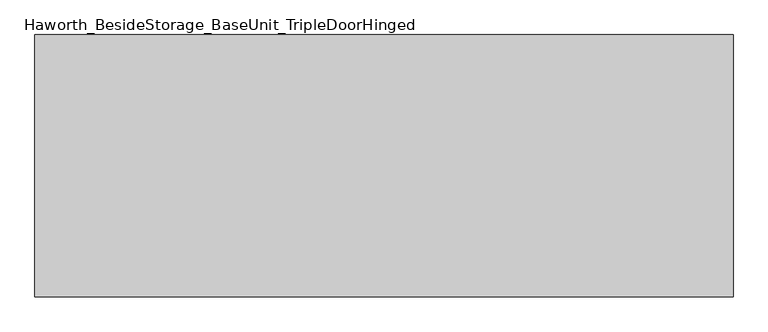
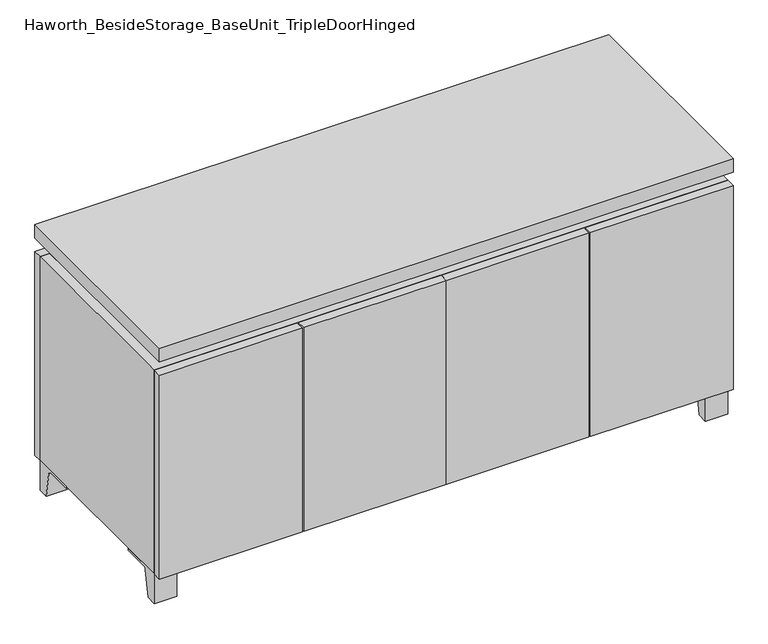
"""IFC4 building model written with IfcOpenShell, lengths in millimetres: furniture geometry, Haworth_BesideStorage_BaseUnit_TripleDoorHinged."""

from ifc_helpers import new_model, si_unit, point, frame, frame_2d, origin, place, context, project, spatial, polyline, circle_curve, trimmed, segment, composite_curve, outline, extrude, faceted_brep, source, transform, mapped, element, save


def haworth_besidestorage_baseunit_tripledoorhinged_9e72f2d7(model_context):
    return source(origin(), model_context, "Body", "SolidModel", [
        extrude(outline(composite_curve([segment(polyline([(38.6291531, 0.0), (15.875, 0.0), (15.875, 66.675), (111.125, 66.675), (111.125, 61.8963321), (54.3244655, 61.8963321)]), True, "CONTINUOUS"), segment(trimmed(circle_curve(frame_2d((54.3244655, 55.5463321)), 6.35), [point((54.3244655, 61.8963321))], [point((48.0608641, 56.5902656))], True, "CARTESIAN"), True, "CONTINUOUS"), segment(polyline([(48.0608641, 56.5902656), (38.6291531, 0.0)]), True, "CONTINUOUS")], self_intersect=False)), frame((-23.7986094, 0.0, 0.0), z_axis=(1.0, 0.0, 0.0), x_axis=(0.0, 1.0, 0.0)), (0.0, 0.0, 1.0), 47.625),
        extrude(outline(composite_curve([segment(polyline([(-129.6458469, 0.0), (-152.4, 0.0), (-152.4, 66.675), (-57.15, 66.675), (-57.15, 61.8963321), (-113.9505345, 61.8963321)]), True, "CONTINUOUS"), segment(trimmed(circle_curve(frame_2d((-113.9505345, 55.5463321)), 6.35), [point((-113.9505345, 61.8963321))], [point((-120.2141359, 56.5902656))], True, "CARTESIAN"), True, "CONTINUOUS"), segment(polyline([(-120.2141359, 56.5902656), (-129.6458469, 0.0)]), True, "CONTINUOUS")], self_intersect=False)), frame((560.4013906, 0.0, 0.0), z_axis=(1.0, 0.0, 0.0), x_axis=(0.0, 1.0, 0.0)), (0.0, 0.0, 1.0), 47.625),
        extrude(outline(composite_curve([segment(polyline([(243.9458469, 0.0), (234.5141359, 56.5902656)]), True, "CONTINUOUS"), segment(trimmed(circle_curve(frame_2d((228.2505345, 55.5463321)), 6.35), [point((234.5141359, 56.5902656))], [point((228.2505345, 61.8963321))], True, "CARTESIAN"), True, "CONTINUOUS"), segment(polyline([(228.2505345, 61.8963321), (171.45, 61.8963321), (171.45, 66.675), (266.7, 66.675), (266.7, 0.0), (243.9458469, 0.0)]), True, "CONTINUOUS")], self_intersect=False)), frame((560.4013906, 0.0, 0.0), z_axis=(1.0, 0.0, 0.0), x_axis=(0.0, 1.0, 0.0)), (0.0, 0.0, 1.0), 47.625),
        extrude(outline(composite_curve([segment(polyline([(-129.6458469, 0.0), (-152.4, 0.0), (-152.4, 66.675), (-57.15, 66.675), (-57.15, 61.8963321), (-113.9505345, 61.8963321)]), True, "CONTINUOUS"), segment(trimmed(circle_curve(frame_2d((-113.9505345, 55.5463321)), 6.35), [point((-113.9505345, 61.8963321))], [point((-120.2141359, 56.5902656))], True, "CARTESIAN"), True, "CONTINUOUS"), segment(polyline([(-120.2141359, 56.5902656), (-129.6458469, 0.0)]), True, "CONTINUOUS")], self_intersect=False)), frame((-607.9986094, 0.0, 0.0), z_axis=(1.0, 0.0, 0.0), x_axis=(0.0, 1.0, 0.0)), (0.0, 0.0, 1.0), 47.625),
        extrude(outline(composite_curve([segment(polyline([(243.9458469, 0.0), (234.5141359, 56.5902656)]), True, "CONTINUOUS"), segment(trimmed(circle_curve(frame_2d((228.2505345, 55.5463321)), 6.35), [point((234.5141359, 56.5902656))], [point((228.2505345, 61.8963321))], True, "CARTESIAN"), True, "CONTINUOUS"), segment(polyline([(228.2505345, 61.8963321), (171.45, 61.8963321), (171.45, 66.675), (266.7, 66.675), (266.7, 0.0), (243.9458469, 0.0)]), True, "CONTINUOUS")], self_intersect=False)), frame((-607.9986094, 0.0, 0.0), z_axis=(1.0, 0.0, 0.0), x_axis=(0.0, 1.0, 0.0)), (0.0, 0.0, 1.0), 47.625),
        faceted_brep([(-607.9986094, -152.4, 66.675), (608.0125, -152.4, 66.675), (608.0125, -152.4, 523.875), (-607.9986094, -152.4, 523.875), (-588.9486094, -152.4, 85.725), (-588.9486094, -152.4, 504.825), (588.9694453, -152.4, 504.825), (588.9486094, -152.4, 85.725), (-607.9986094, 266.7, 66.675), (-607.9986094, 266.7, 523.875), (-588.9486094, 266.7, 523.875), (-588.9486094, 266.7, 85.725), (588.9486094, 266.7, 85.725), (588.9486094, 266.7, 523.875), (608.0125, 266.7, 523.875), (608.0125, 266.7, 66.675), (588.9486094, 241.3, 523.875), (-588.9416641, 241.3, 523.875), (-588.9486094, 241.3, 504.825), (588.9486094, 241.3, 504.825)], [[[0, 1, 2, 3], [4, 5, 6, 7]], [[8, 9, 10, 11, 12, 13, 14, 15]], [[1, 0, 8, 15]], [[2, 1, 15, 14]], [[3, 2, 14, 13, 16, 17, 10, 9]], [[0, 3, 9, 8]], [[11, 10, 17, 18, 5, 4]], [[13, 12, 7, 6, 19, 16]], [[4, 7, 12, 11]], [[6, 5, 18, 19]], [[17, 16, 19, 18]]]),
        extrude(outline(polyline([(608.0263906, -171.45), (-607.9986094, -171.45), (-607.9986094, 285.75), (608.0263906, 285.75), (608.0263906, -171.45)])), frame((0.0, 0.0, 554.0375), z_axis=(0.0, 0.0, 1.0), x_axis=(1.0, 0.0, 0.0)), (0.0, 0.0, 1.0), 30.1625),
        faceted_brep([(7.9513906, -76.2, 554.0375), (7.9513906, -76.2, 523.875), (7.9513906, 47.625, 523.875), (7.9513906, 47.625, 554.0375), (7.9513906, 190.5, 523.875), (7.9513906, 190.5, 554.0375), (7.9513906, 66.675, 554.0375), (7.9513906, 66.675, 523.875), (-7.9236094, 190.5, 554.0375), (-7.9236094, 190.5, 523.875), (-7.9236094, 66.675, 523.875), (-7.9236094, 66.675, 554.0375), (-7.9236094, -76.2, 523.875), (-7.9236094, -76.2, 554.0375), (-7.9236094, 47.625, 554.0375), (-7.9236094, 47.625, 523.875), (-566.6958281, 66.675, 554.0375), (-566.7166641, 241.3, 554.0375), (-582.5916641, 241.3, 554.0375), (-582.5916641, -127.0, 554.0375), (-566.7166641, -127.0, 554.0375), (-566.7166641, 47.625, 554.0375), (566.7236094, 47.625, 554.0375), (566.7236094, -127.0, 554.0375), (582.5986094, -127.0, 554.0375), (582.5986094, 241.3, 554.0375), (566.7236094, 241.3, 554.0375), (566.7236094, 66.675, 554.0375), (-566.6958281, 47.625, 523.875), (-566.7166641, -127.0, 523.875), (-582.5916641, -127.0, 523.875), (-582.5916641, 241.3, 523.875), (-566.7166641, 241.3, 523.875), (-566.7166641, 66.675, 523.875), (566.7236094, 66.675, 523.875), (566.7236094, 241.3, 523.875), (582.5986094, 241.3, 523.875), (582.5986094, -127.0, 523.875), (566.7236094, -127.0, 523.875), (566.7236094, 47.625, 523.875)], [[[0, 1, 2, 3]], [[4, 5, 6, 7]], [[8, 9, 10, 11]], [[12, 13, 14, 15]], [[5, 8, 11, 16, 17, 18, 19, 20, 21, 14, 13, 0, 3, 22, 23, 24, 25, 26, 27, 6]], [[1, 12, 15, 28, 29, 30, 31, 32, 33, 10, 9, 4, 7, 34, 35, 36, 37, 38, 39, 2]], [[5, 4, 9, 8]], [[1, 0, 13, 12]], [[6, 27, 34, 7]], [[22, 3, 2, 39]], [[20, 29, 28, 21]], [[32, 17, 16, 33]], [[18, 31, 30, 19]], [[29, 20, 19, 30]], [[17, 32, 31, 18]], [[26, 35, 34, 27]], [[38, 23, 22, 39]], [[25, 24, 37, 36]], [[23, 38, 37, 24]], [[35, 26, 25, 36]], [[16, 11, 10, 33]], [[14, 21, 28, 15]]]),
        extrude(outline(polyline([(608.0263906, 266.7), (-607.9986094, 266.7), (-607.9986094, 285.75), (608.0263906, 285.75), (608.0263906, 266.7)])), frame((0.0, 0.0, 66.675), z_axis=(0.0, 0.0, 1.0), x_axis=(1.0, 0.0, 0.0)), (0.0, 0.0, 1.0), 457.2),
        extrude(outline(polyline([(-588.9416641, 196.85), (-588.9416641, 203.2), (588.9694453, 203.2), (588.9694453, 196.85), (-588.9416641, 196.85)])), frame((0.0, 0.0, 85.725), z_axis=(0.0, 0.0, 1.0), x_axis=(1.0, 0.0, 0.0)), (0.0, 0.0, 1.0), 419.1),
        extrude(outline(polyline([(305.6076406, -171.45), (305.6076406, -152.4), (608.0263906, -152.4), (608.0263906, -171.45), (305.6076406, -171.45)])), frame((0.0, 0.0, 66.675), z_axis=(0.0, 0.0, 1.0), x_axis=(1.0, 0.0, 0.0)), (0.0, 0.0, 1.0), 457.2),
        extrude(outline(polyline([(-305.5798594, -171.45), (-607.9986094, -171.45), (-607.9986094, -152.4), (-305.5798594, -152.4), (-305.5798594, -171.45)])), frame((0.0, 0.0, 66.675), z_axis=(0.0, 0.0, 1.0), x_axis=(1.0, 0.0, 0.0)), (0.0, 0.0, 1.0), 457.2),
        extrude(outline(polyline([(0.0138906, -171.45), (0.0138906, -152.4), (302.4326406, -152.4), (302.4326406, -171.45), (0.0138906, -171.45)])), frame((0.0, 0.0, 66.675), z_axis=(0.0, 0.0, 1.0), x_axis=(1.0, 0.0, 0.0)), (0.0, 0.0, 1.0), 457.2),
        extrude(outline(polyline([(0.0138906, -171.45), (-302.4048594, -171.45), (-302.4048594, -152.4), (0.0138906, -152.4), (0.0138906, -171.45)])), frame((0.0, 0.0, 66.675), z_axis=(0.0, 0.0, 1.0), x_axis=(1.0, 0.0, 0.0)), (0.0, 0.0, 1.0), 457.2),
        extrude(outline(polyline([(294.4951406, 196.85), (313.5451406, 196.85), (313.5451406, -152.4), (294.4951406, -152.4), (294.4951406, 196.85)])), frame((0.0, 0.0, 85.725), z_axis=(0.0, 0.0, 1.0), x_axis=(1.0, 0.0, 0.0)), (0.0, 0.0, 1.0), 419.1),
        extrude(outline(polyline([(-313.5173594, 196.85), (-294.4673594, 196.85), (-294.4673594, -152.4), (-313.5173594, -152.4), (-313.5173594, 196.85)])), frame((0.0, 0.0, 85.725), z_axis=(0.0, 0.0, 1.0), x_axis=(1.0, 0.0, 0.0)), (0.0, 0.0, 1.0), 419.1),
    ])


if __name__ == "__main__":
    model = new_model("IFC4")
    model_context = context("Model", 3, world=origin())
    ifc_project = project(units=[si_unit("LENGTHUNIT", "METRE", prefix="MILLI")], contexts=[model_context])
    site = spatial("IfcSite", under=ifc_project)
    building = spatial("IfcBuilding", under=site)
    placement = place(None, origin())
    haworth_besidestorage_baseunit_tripledoorhinged_shape = haworth_besidestorage_baseunit_tripledoorhinged_9e72f2d7(model_context)
    element("IfcFurniture", 1, ObjectType="Haworth_BesideStorage_BaseUnit_TripleDoorHinged", at=placement, inside=building, context=model_context, shape_type="MappedRepresentation", body=[
        mapped(haworth_besidestorage_baseunit_tripledoorhinged_shape, transform((0.0, 0.0, 0.0), x_axis=(1.0, 0.0, 0.0), y_axis=(0.0, 1.0, 0.0), z_axis=(0.0, 0.0, 1.0))),
    ])
    save(model, "model.ifc")
